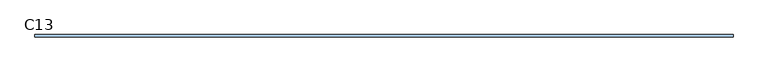
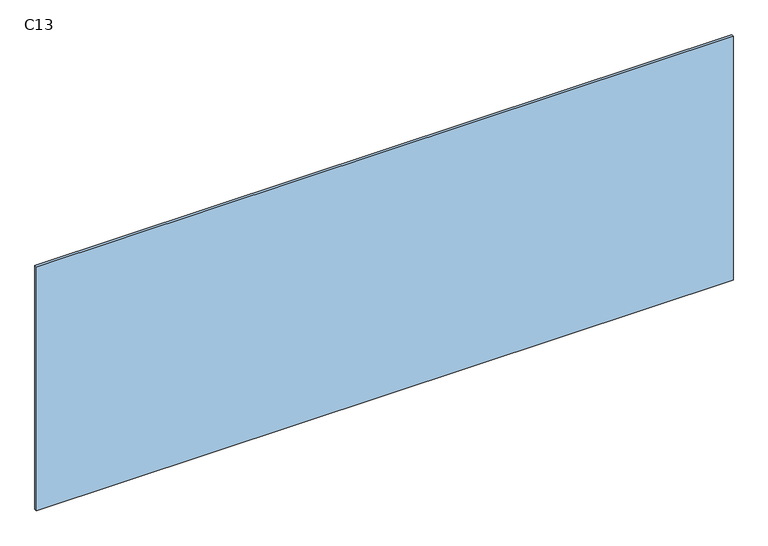
"""IFC4 building model written with IfcOpenShell, lengths in millimetres: window geometry, C13."""

from ifc_helpers import new_model, si_unit, frame, origin, place, context, project, spatial, polyline, outline, extrude, source, transform, mapped, element, save


def c13_c8aea422(model_context):
    return source(origin(), model_context, "Body", "SweptSolid", [
        extrude(outline(polyline([(1350.0, -5.0), (-1350.0, -5.0), (-1350.0, 5.0), (1350.0, 5.0), (1350.0, -5.0)])), frame((0.0, 0.0, 800.0), z_axis=(0.0, 0.0, 1.0), x_axis=(1.0, 0.0, 0.0)), (0.0, 0.0, 1.0), 1000.0),
    ])


if __name__ == "__main__":
    model = new_model("IFC4")
    model_context = context("Model", 3, world=origin())
    ifc_project = project(units=[si_unit("LENGTHUNIT", "METRE", prefix="MILLI")], contexts=[model_context])
    site = spatial("IfcSite", under=ifc_project)
    building = spatial("IfcBuilding", under=site)
    placement = place(None, origin())
    c13_shape = c13_c8aea422(model_context)
    element("IfcWindow", 1, ObjectType="C13", at=placement, inside=building, context=model_context, shape_type="MappedRepresentation", body=[
        mapped(c13_shape, transform((0.0, 0.0, 0.0), x_axis=(1.0, 0.0, 0.0), y_axis=(0.0, 1.0, 0.0), z_axis=(0.0, 0.0, 1.0))),
    ])
    save(model, "model.ifc")
